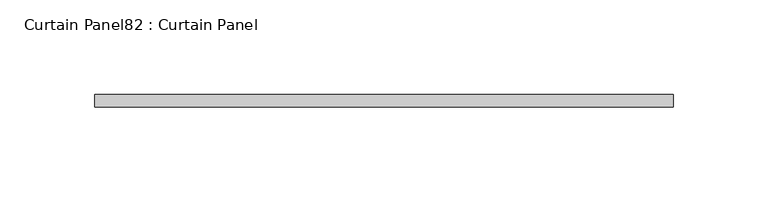
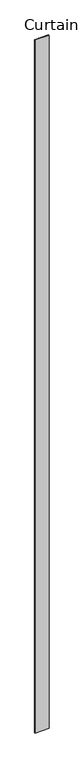
"""IFC4 building model written with IfcOpenShell, lengths in millimetres: plate geometry, Curtain Panel82 : Curtain Panel."""

from ifc_helpers import new_model, si_unit, frame, origin, place, context, project, spatial, polyline, outline, extrude, source, transform, mapped, element, save


def curtain_panel82_curtain_panel_0ef1e228(model_context):
    return source(origin(), model_context, "Body", "SweptSolid", [
        extrude(outline(polyline([(173177.9950674, 7971.4334949), (172873.6740128, 7971.4334949), (172873.6740128, 7977.7834949), (173177.9950674, 7977.7834949), (173177.9950674, 7971.4334949)])), frame((0.0, 0.0, 1433.7679301), z_axis=(0.0, 0.0, 1.0), x_axis=(1.0, 0.0, 0.0)), (0.0, 0.0, 1.0), 15837.0064664),
    ])


if __name__ == "__main__":
    model = new_model("IFC4")
    model_context = context("Model", 3, world=origin())
    ifc_project = project(units=[si_unit("LENGTHUNIT", "METRE", prefix="MILLI")], contexts=[model_context])
    site = spatial("IfcSite", under=ifc_project)
    building = spatial("IfcBuilding", under=site)
    placement = place(None, origin())
    curtain_panel82_curtain_panel_shape = curtain_panel82_curtain_panel_0ef1e228(model_context)
    element("IfcPlate", 1, ObjectType="Curtain Panel82 : Curtain Panel", at=placement, inside=building, context=model_context, shape_type="MappedRepresentation", body=[
        mapped(curtain_panel82_curtain_panel_shape, transform((0.0, 0.0, 0.0), x_axis=(1.0, 0.0, 0.0), y_axis=(0.0, 1.0, 0.0), z_axis=(0.0, 0.0, 1.0))),
    ])
    save(model, "model.ifc")
